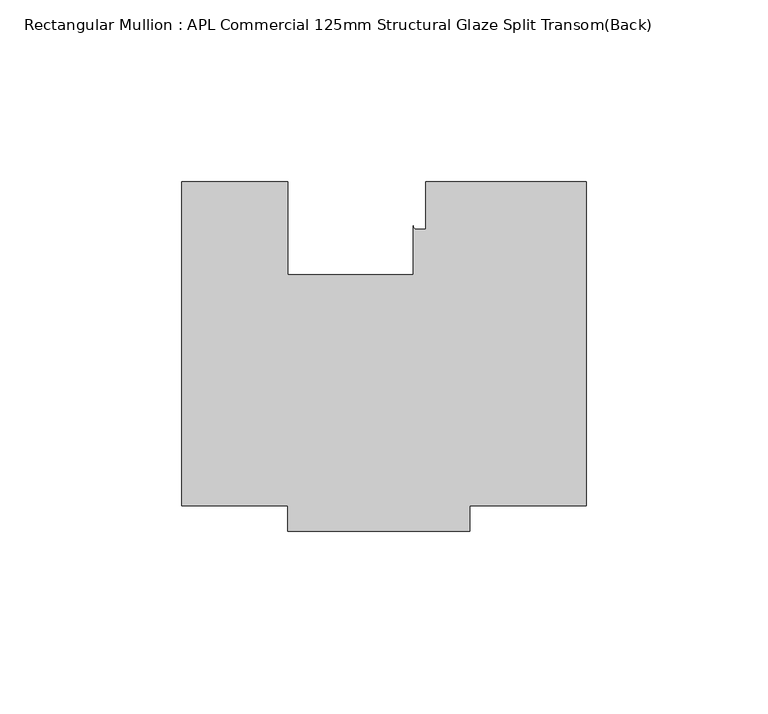
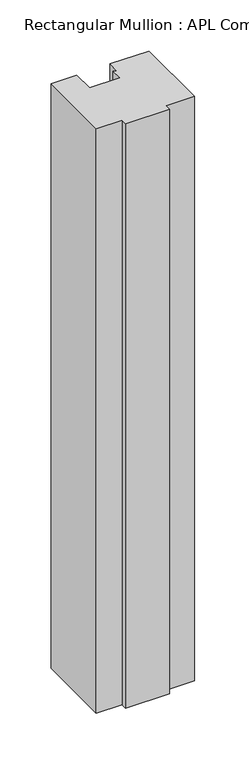
"""IFC4 building model written with IfcOpenShell, lengths in millimetres: member geometry, Rectangular Mullion : APL Commercial 125mm Structural Glaze Split Transom(Back)."""

from ifc_helpers import new_model, si_unit, point, frame, frame_2d, origin, place, context, project, spatial, polyline, circle_curve, trimmed, segment, composite_curve, outline, extrude, source, transform, mapped, element, save


def rectangular_mullion_apl_commercial_125mm_structural_glaze_5fcfe5c0(model_context):
    return source(origin(), model_context, "Body", "SweptSolid", [
        extrude(outline(composite_curve([segment(polyline([(54.0000029, -15.0004617), (54.0000029, -104.0), (22.0028846, -104.0), (22.0028846, -111.0), (-27.9971154, -111.0), (-27.9971154, -103.9999439), (-57.0000004, -103.9999439), (-57.0000004, -15.0001793), (-28.0000482, -15.0001793), (-28.0000482, -40.499932), (6.5000029, -40.499932), (6.5000029, -27.0002131)]), True, "CONTINUOUS"), segment(trimmed(circle_curve(frame_2d((7.5000029, -27.0002131)), 1.0), [point((6.5000029, -27.0002131))], [point((7.5000029, -28.0002131))], True, "CARTESIAN"), True, "CONTINUOUS"), segment(polyline([(7.5000029, -28.0002131), (10.0000029, -28.0002131), (10.0000029, -15.0004617), (54.0000029, -15.0004617)]), True, "CONTINUOUS")], self_intersect=False)), frame((0.0, 0.0, -699.3627597), z_axis=(0.0, 0.0, 1.0), x_axis=(1.0, 0.0, 0.0)), (0.0, 0.0, 1.0), 699.3627597),
    ])


if __name__ == "__main__":
    model = new_model("IFC4")
    model_context = context("Model", 3, world=origin())
    ifc_project = project(units=[si_unit("LENGTHUNIT", "METRE", prefix="MILLI")], contexts=[model_context])
    site = spatial("IfcSite", under=ifc_project)
    building = spatial("IfcBuilding", under=site)
    placement = place(None, origin())
    rectangular_mullion_apl_commercial_125mm_structural_glaze_shape = rectangular_mullion_apl_commercial_125mm_structural_glaze_5fcfe5c0(model_context)
    element("IfcMember", 1, ObjectType="Rectangular Mullion : APL Commercial 125mm Structural Glaze Split Transom(Back)", at=placement, inside=building, context=model_context, shape_type="MappedRepresentation", body=[
        mapped(rectangular_mullion_apl_commercial_125mm_structural_glaze_shape, transform((0.0, 0.0, 0.0), x_axis=(1.0, 0.0, 0.0), y_axis=(0.0, 1.0, 0.0), z_axis=(0.0, 0.0, 1.0))),
    ])
    save(model, "model.ifc")
